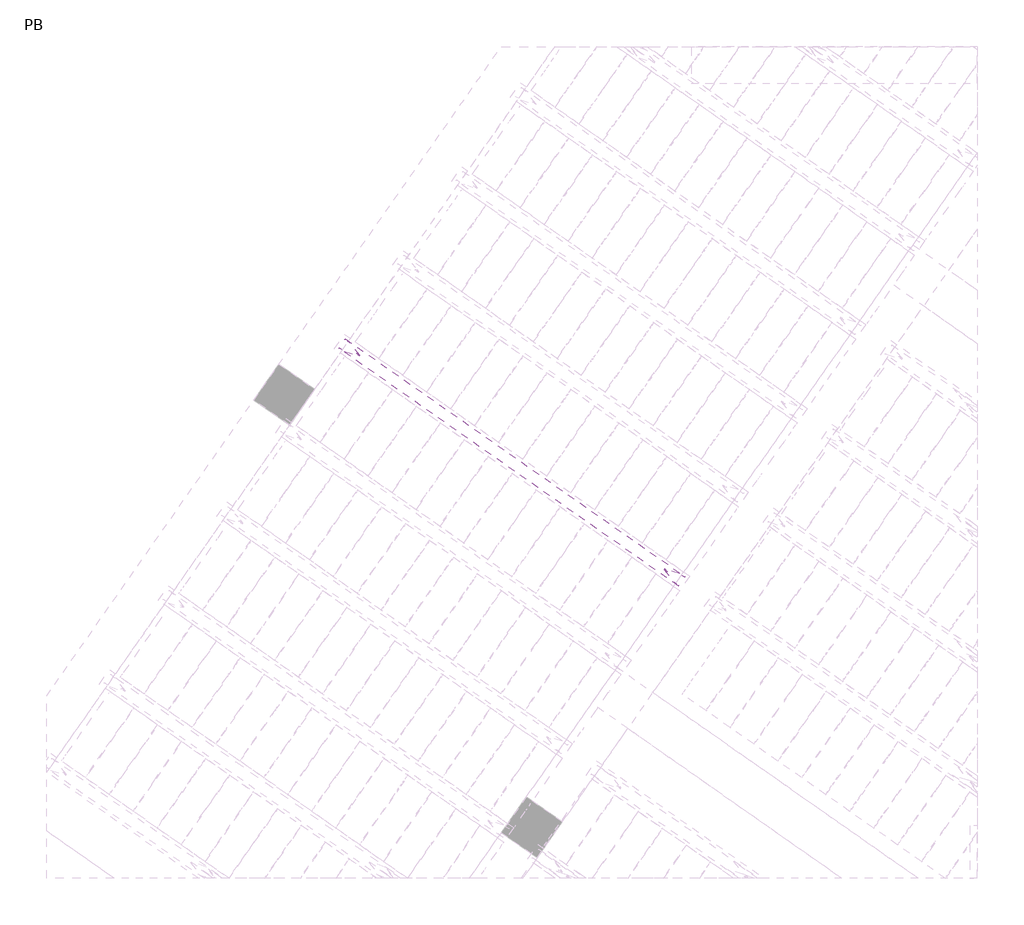
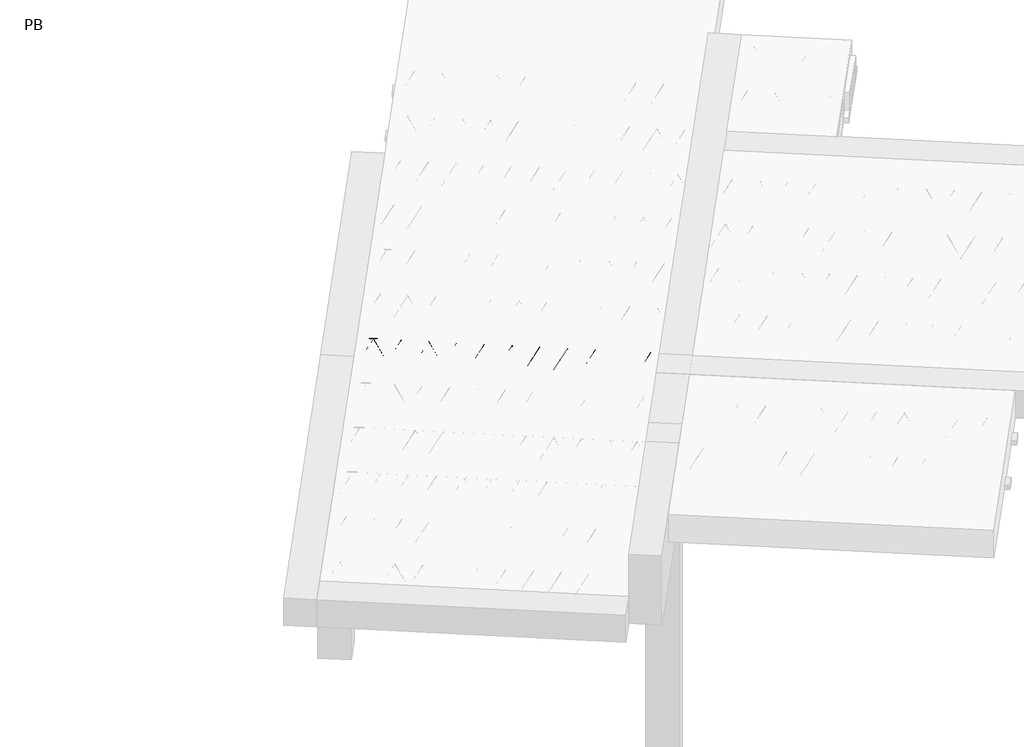
# One storey, part 27 of 56: 1 beam.
"""IFC4 building model written with IfcOpenShell, lengths in millimetres."""

from ifc_helpers import new_model, si_unit, point, frame, origin, origin_2d, place, context, project, spatial, circle_curve, trimmed, segment, composite_curve, outline, extrude, element, save

model = new_model("IFC4")

# Units and contexts
model_context = context("Model", 3, world=origin())
ifc_project = project(units=[si_unit("LENGTHUNIT", "METRE", prefix="MILLI")], contexts=[model_context])

# Site, building, storey
site = spatial("IfcSite", under=ifc_project)
building = spatial("IfcBuilding", under=site)
storey = spatial("IfcBuildingStorey", under=building, Name="PB", Elevation=95940.0)

# Beam
placement = place(None, origin())
element("IfcBeam", 1, at=placement, inside=storey, context=model_context, shape_type="SweptSolid", body=[
    extrude(outline(composite_curve([segment(trimmed(circle_curve(origin_2d(), 2.5), [point((-2.5, 0.0))], [point((2.5000001, 0.0))], False, "CARTESIAN"), True, "CONTINUOUS"), segment(trimmed(circle_curve(origin_2d(), 2.5), [point((2.5000001, 0.0))], [point((-2.5, 0.0))], False, "CARTESIAN"), True, "CONTINUOUS")], self_intersect=False)), frame((3150.0191067, 3915.6411691, 98785.0), z_axis=(-0.8191520442696126, 0.5735764363787226, 0.0), x_axis=(0.5735764363787226, 0.8191520442696126, 0.0)), (0.0, 0.0, 1.0), 2836.603033),
    extrude(outline(composite_curve([segment(trimmed(circle_curve(origin_2d(), 2.5), [point((-2.5, 0.0))], [point((2.5, 0.0))], False, "CARTESIAN"), True, "CONTINUOUS"), segment(trimmed(circle_curve(origin_2d(), 2.5), [point((2.5, 0.0))], [point((-2.5, 0.0))], False, "CARTESIAN"), True, "CONTINUOUS")], self_intersect=False)), frame((3073.7609295, 4012.9856049, 99010.0), z_axis=(-0.8191520442696126, 0.5735764363787226, 0.0), x_axis=(0.5735764363787226, 0.8191520442696126, 0.0)), (0.0, 0.0, 1.0), 2600.0),
    extrude(outline(composite_curve([segment(trimmed(circle_curve(origin_2d(), 2.5), [point((-2.5, 0.0))], [point((2.5, 0.0))], False, "CARTESIAN"), True, "CONTINUOUS"), segment(trimmed(circle_curve(origin_2d(), 2.5), [point((2.5, 0.0))], [point((-2.5, 0.0))], False, "CARTESIAN"), True, "CONTINUOUS")], self_intersect=False)), frame((3114.5485811, 3940.4778986, 98785.0), z_axis=(-0.3145304735701046, 0.38933448886848654, 0.8657304643902053), x_axis=(0.7778747638402499, 0.6284193279813057, 0.0)), (0.0, 0.0, 1.0), 259.8961331),
    extrude(outline(composite_curve([segment(trimmed(circle_curve(origin_2d(), 2.5), [point((2.5000001, 0.0))], [point((-2.5, 0.0))], False, "CARTESIAN"), True, "CONTINUOUS"), segment(trimmed(circle_curve(origin_2d(), 2.5), [point((-2.5, 0.0))], [point((2.5000001, 0.0))], False, "CARTESIAN"), True, "CONTINUOUS")], self_intersect=False)), frame((2909.7605701, 4083.8720077, 98785.0), z_axis=(0.47343050384693375, -0.16240172737369005, 0.8657304643902051), x_axis=(-0.3244721671091268, -0.9458952440791246, 0.0)), (0.0, 0.0, 1.0), 259.8961331),
    extrude(outline(composite_curve([segment(trimmed(circle_curve(origin_2d(), 2.5), [point((-2.5, -1e-07))], [point((2.5, 0.0))], False, "CARTESIAN"), True, "CONTINUOUS"), segment(trimmed(circle_curve(origin_2d(), 2.5), [point((2.5, 0.0))], [point((-2.5, -1e-07))], False, "CARTESIAN"), True, "CONTINUOUS")], self_intersect=False)), frame((2909.7605701, 4083.8720077, 98785.0), z_axis=(-0.3145304735701046, 0.38933448886848654, 0.8657304643902053), x_axis=(0.7778747638402499, 0.6284193279813057, 0.0)), (0.0, 0.0, 1.0), 259.8961331),
    extrude(outline(composite_curve([segment(trimmed(circle_curve(origin_2d(), 2.5), [point((2.5, 0.0))], [point((-2.5000001, 0.0))], False, "CARTESIAN"), True, "CONTINUOUS"), segment(trimmed(circle_curve(origin_2d(), 2.5), [point((-2.5000001, 0.0))], [point((2.5, 0.0))], False, "CARTESIAN"), True, "CONTINUOUS")], self_intersect=False)), frame((2704.972559, 4227.2661167, 98785.0), z_axis=(0.47343050384693375, -0.16240172737369005, 0.8657304643902051), x_axis=(-0.3244721671091268, -0.9458952440791246, 0.0)), (0.0, 0.0, 1.0), 259.8961331),
    extrude(outline(composite_curve([segment(trimmed(circle_curve(origin_2d(), 2.5), [point((-2.5, 0.0))], [point((2.5, 1e-07))], False, "CARTESIAN"), True, "CONTINUOUS"), segment(trimmed(circle_curve(origin_2d(), 2.5), [point((2.5, 1e-07))], [point((-2.5, 0.0))], False, "CARTESIAN"), True, "CONTINUOUS")], self_intersect=False)), frame((2704.972559, 4227.2661167, 98785.0), z_axis=(-0.3145304735701046, 0.38933448886848654, 0.8657304643902053), x_axis=(0.7778747638402499, 0.6284193279813057, 0.0)), (0.0, 0.0, 1.0), 259.8961331),
    extrude(outline(composite_curve([segment(trimmed(circle_curve(origin_2d(), 2.5), [point((2.5, 0.0))], [point((-2.5000001, 0.0))], False, "CARTESIAN"), True, "CONTINUOUS"), segment(trimmed(circle_curve(origin_2d(), 2.5), [point((-2.5000001, 0.0))], [point((2.5, 0.0))], False, "CARTESIAN"), True, "CONTINUOUS")], self_intersect=False)), frame((2500.1845479, 4370.6602258, 98785.0), z_axis=(0.47343050384693375, -0.16240172737369005, 0.8657304643902051), x_axis=(-0.3244721671091268, -0.9458952440791246, 0.0)), (0.0, 0.0, 1.0), 259.8961331),
    extrude(outline(composite_curve([segment(trimmed(circle_curve(origin_2d(), 2.5), [point((-2.5, 0.0))], [point((2.5, 1e-07))], False, "CARTESIAN"), True, "CONTINUOUS"), segment(trimmed(circle_curve(origin_2d(), 2.5), [point((2.5, 1e-07))], [point((-2.5, 0.0))], False, "CARTESIAN"), True, "CONTINUOUS")], self_intersect=False)), frame((2500.1845479, 4370.6602258, 98785.0), z_axis=(-0.3145304735701046, 0.38933448886848654, 0.8657304643902053), x_axis=(0.7778747638402499, 0.6284193279813057, 0.0)), (0.0, 0.0, 1.0), 259.8961331),
    extrude(outline(composite_curve([segment(trimmed(circle_curve(origin_2d(), 2.5), [point((2.5, 0.0))], [point((-2.5, 0.0))], False, "CARTESIAN"), True, "CONTINUOUS"), segment(trimmed(circle_curve(origin_2d(), 2.5), [point((-2.5, 0.0))], [point((2.5, 0.0))], False, "CARTESIAN"), True, "CONTINUOUS")], self_intersect=False)), frame((2295.3965369, 4514.0543349, 98785.0), z_axis=(0.47343050384693375, -0.16240172737369005, 0.8657304643902051), x_axis=(-0.3244721671091268, -0.9458952440791246, 0.0)), (0.0, 0.0, 1.0), 259.8961331),
    extrude(outline(composite_curve([segment(trimmed(circle_curve(origin_2d(), 2.5), [point((-2.5, -1e-07))], [point((2.5, 0.0))], False, "CARTESIAN"), True, "CONTINUOUS"), segment(trimmed(circle_curve(origin_2d(), 2.5), [point((2.5, 0.0))], [point((-2.5, -1e-07))], False, "CARTESIAN"), True, "CONTINUOUS")], self_intersect=False)), frame((2295.3965371, 4514.0543348, 98785.0), z_axis=(-0.3145304735701046, 0.38933448886848654, 0.8657304643902053), x_axis=(0.7778747638402499, 0.6284193279813057, 0.0)), (0.0, 0.0, 1.0), 259.8961331),
    extrude(outline(composite_curve([segment(trimmed(circle_curve(origin_2d(), 2.5), [point((2.5000001, 0.0))], [point((-2.5, 0.0))], False, "CARTESIAN"), True, "CONTINUOUS"), segment(trimmed(circle_curve(origin_2d(), 2.5), [point((-2.5, 0.0))], [point((2.5000001, 0.0))], False, "CARTESIAN"), True, "CONTINUOUS")], self_intersect=False)), frame((2090.6085261, 4657.4484439, 98785.0), z_axis=(0.47343050384693375, -0.16240172737369005, 0.8657304643902051), x_axis=(-0.3244721671091268, -0.9458952440791246, 0.0)), (0.0, 0.0, 1.0), 259.8961331),
    extrude(outline(composite_curve([segment(trimmed(circle_curve(origin_2d(), 2.5), [point((-2.5000001, 0.0))], [point((2.5, 0.0))], False, "CARTESIAN"), True, "CONTINUOUS"), segment(trimmed(circle_curve(origin_2d(), 2.5), [point((2.5, 0.0))], [point((-2.5000001, 0.0))], False, "CARTESIAN"), True, "CONTINUOUS")], self_intersect=False)), frame((2090.6085261, 4657.4484439, 98785.0), z_axis=(-0.3145304735701046, 0.38933448886848654, 0.8657304643902053), x_axis=(0.7778747638402499, 0.6284193279813057, 0.0)), (0.0, 0.0, 1.0), 259.8961331),
    extrude(outline(composite_curve([segment(trimmed(circle_curve(origin_2d(), 2.5), [point((2.5000001, 0.0))], [point((-2.5, 0.0))], False, "CARTESIAN"), True, "CONTINUOUS"), segment(trimmed(circle_curve(origin_2d(), 2.5), [point((-2.5, 0.0))], [point((2.5000001, 0.0))], False, "CARTESIAN"), True, "CONTINUOUS")], self_intersect=False)), frame((1885.820515, 4800.842553, 98785.0), z_axis=(0.47343050384693375, -0.16240172737369005, 0.8657304643902051), x_axis=(-0.3244721671091268, -0.9458952440791246, 0.0)), (0.0, 0.0, 1.0), 259.8961331),
    extrude(outline(composite_curve([segment(trimmed(circle_curve(origin_2d(), 2.5), [point((-2.5, -1e-07))], [point((2.5, 0.0))], False, "CARTESIAN"), True, "CONTINUOUS"), segment(trimmed(circle_curve(origin_2d(), 2.5), [point((2.5, 0.0))], [point((-2.5, -1e-07))], False, "CARTESIAN"), True, "CONTINUOUS")], self_intersect=False)), frame((1885.820515, 4800.842553, 98785.0), z_axis=(-0.3145304735701046, 0.38933448886848654, 0.8657304643902053), x_axis=(0.7778747638402499, 0.6284193279813057, 0.0)), (0.0, 0.0, 1.0), 259.8961331),
    extrude(outline(composite_curve([segment(trimmed(circle_curve(origin_2d(), 2.5), [point((2.5, 0.0))], [point((-2.5000001, 0.0))], False, "CARTESIAN"), True, "CONTINUOUS"), segment(trimmed(circle_curve(origin_2d(), 2.5), [point((-2.5000001, 0.0))], [point((2.5, 0.0))], False, "CARTESIAN"), True, "CONTINUOUS")], self_intersect=False)), frame((1681.0325039, 4944.236662, 98785.0), z_axis=(0.47343050384693375, -0.16240172737369005, 0.8657304643902051), x_axis=(-0.3244721671091268, -0.9458952440791246, 0.0)), (0.0, 0.0, 1.0), 259.8961331),
    extrude(outline(composite_curve([segment(trimmed(circle_curve(origin_2d(), 2.5), [point((-2.5, 0.0))], [point((2.5, 1e-07))], False, "CARTESIAN"), True, "CONTINUOUS"), segment(trimmed(circle_curve(origin_2d(), 2.5), [point((2.5, 1e-07))], [point((-2.5, 0.0))], False, "CARTESIAN"), True, "CONTINUOUS")], self_intersect=False)), frame((1681.0325039, 4944.236662, 98785.0), z_axis=(-0.3145304735701046, 0.38933448886848654, 0.8657304643902053), x_axis=(0.7778747638402499, 0.6284193279813057, 0.0)), (0.0, 0.0, 1.0), 259.8961331),
    extrude(outline(composite_curve([segment(trimmed(circle_curve(origin_2d(), 2.5), [point((2.5, -1e-07))], [point((-2.5000001, 0.0))], False, "CARTESIAN"), True, "CONTINUOUS"), segment(trimmed(circle_curve(origin_2d(), 2.5), [point((-2.5000001, 0.0))], [point((2.5, -1e-07))], False, "CARTESIAN"), True, "CONTINUOUS")], self_intersect=False)), frame((1476.2444929, 5087.6307711, 98785.0), z_axis=(0.47343050384693375, -0.16240172737369005, 0.8657304643902051), x_axis=(-0.3244721671091268, -0.9458952440791246, 0.0)), (0.0, 0.0, 1.0), 259.8961331),
    extrude(outline(composite_curve([segment(trimmed(circle_curve(origin_2d(), 2.5), [point((-2.5, 0.0))], [point((2.5000001, 0.0))], False, "CARTESIAN"), True, "CONTINUOUS"), segment(trimmed(circle_curve(origin_2d(), 2.5), [point((2.5000001, 0.0))], [point((-2.5, 0.0))], False, "CARTESIAN"), True, "CONTINUOUS")], self_intersect=False)), frame((1476.2444928, 5087.6307711, 98785.0), z_axis=(-0.3145304735701046, 0.38933448886848654, 0.8657304643902053), x_axis=(0.7778747638402499, 0.6284193279813057, 0.0)), (0.0, 0.0, 1.0), 259.8961331),
    extrude(outline(composite_curve([segment(trimmed(circle_curve(origin_2d(), 2.5), [point((2.5, 0.0))], [point((-2.5, 0.0))], False, "CARTESIAN"), True, "CONTINUOUS"), segment(trimmed(circle_curve(origin_2d(), 2.5), [point((-2.5, 0.0))], [point((2.5, 0.0))], False, "CARTESIAN"), True, "CONTINUOUS")], self_intersect=False)), frame((1271.4564818, 5231.0248802, 98785.0), z_axis=(0.47343050384693375, -0.16240172737369005, 0.8657304643902051), x_axis=(-0.3244721671091268, -0.9458952440791246, 0.0)), (0.0, 0.0, 1.0), 259.8961331),
    extrude(outline(composite_curve([segment(trimmed(circle_curve(origin_2d(), 2.5), [point((-2.5, 0.0))], [point((2.5, 1e-07))], False, "CARTESIAN"), True, "CONTINUOUS"), segment(trimmed(circle_curve(origin_2d(), 2.5), [point((2.5, 1e-07))], [point((-2.5, 0.0))], False, "CARTESIAN"), True, "CONTINUOUS")], self_intersect=False)), frame((1271.4564818, 5231.0248802, 98785.0), z_axis=(-0.3145304735701046, 0.38933448886848654, 0.8657304643902053), x_axis=(0.7778747638402499, 0.6284193279813057, 0.0)), (0.0, 0.0, 1.0), 259.8961331),
    extrude(outline(composite_curve([segment(trimmed(circle_curve(origin_2d(), 2.5), [point((2.5, 0.0))], [point((-2.5, 0.0))], False, "CARTESIAN"), True, "CONTINUOUS"), segment(trimmed(circle_curve(origin_2d(), 2.5), [point((-2.5, 0.0))], [point((2.5, 0.0))], False, "CARTESIAN"), True, "CONTINUOUS")], self_intersect=False)), frame((1066.6684707, 5374.4189893, 98785.0), z_axis=(0.47343050384693375, -0.16240172737369005, 0.8657304643902051), x_axis=(-0.3244721671091268, -0.9458952440791246, 0.0)), (0.0, 0.0, 1.0), 259.8961331),
    extrude(outline(composite_curve([segment(trimmed(circle_curve(origin_2d(), 2.5), [point((-2.5, 0.0))], [point((2.5, 1e-07))], False, "CARTESIAN"), True, "CONTINUOUS"), segment(trimmed(circle_curve(origin_2d(), 2.5), [point((2.5, 1e-07))], [point((-2.5, 0.0))], False, "CARTESIAN"), True, "CONTINUOUS")], self_intersect=False)), frame((1066.6684707, 5374.4189893, 98785.0), z_axis=(-0.3145304735701046, 0.38933448886848654, 0.8657304643902053), x_axis=(0.7778747638402499, 0.6284193279813057, 0.0)), (0.0, 0.0, 1.0), 259.8961331),
    extrude(outline(composite_curve([segment(trimmed(circle_curve(origin_2d(), 2.5), [point((2.5, 0.0))], [point((-2.5, 1e-07))], False, "CARTESIAN"), True, "CONTINUOUS"), segment(trimmed(circle_curve(origin_2d(), 2.5), [point((-2.5, 1e-07))], [point((2.5, 0.0))], False, "CARTESIAN"), True, "CONTINUOUS")], self_intersect=False)), frame((861.8804596, 5517.8130984, 98785.0), z_axis=(0.47343050384693375, -0.16240172737369005, 0.8657304643902051), x_axis=(-0.3244721671091268, -0.9458952440791246, 0.0)), (0.0, 0.0, 1.0), 259.8961331),
    extrude(outline(composite_curve([segment(trimmed(circle_curve(origin_2d(), 2.5), [point((-2.5, 0.0))], [point((2.4999999, 0.0))], False, "CARTESIAN"), True, "CONTINUOUS"), segment(trimmed(circle_curve(origin_2d(), 2.5), [point((2.4999999, 0.0))], [point((-2.5, 0.0))], False, "CARTESIAN"), True, "CONTINUOUS")], self_intersect=False)), frame((3191.3166102, 3974.6201163, 98785.0), z_axis=(-0.8191520442696126, 0.5735764363787226, 0.0), x_axis=(0.5735764363787226, 0.8191520442696126, 0.0)), (0.0, 0.0, 1.0), 2836.603033),
    extrude(outline(composite_curve([segment(trimmed(circle_curve(origin_2d(), 2.5), [point((-2.5, 0.0))], [point((2.5, -1e-07))], False, "CARTESIAN"), True, "CONTINUOUS"), segment(trimmed(circle_curve(origin_2d(), 2.5), [point((2.5, -1e-07))], [point((-2.5, 0.0))], False, "CARTESIAN"), True, "CONTINUOUS")], self_intersect=False)), frame((3155.8460845, 3999.4568458, 98785.0), z_axis=(-0.47343050384693375, 0.16240172737369005, 0.8657304643902051), x_axis=(0.3244721671091268, 0.9458952440791246, 0.0)), (0.0, 0.0, 1.0), 259.8961331),
    extrude(outline(composite_curve([segment(trimmed(circle_curve(origin_2d(), 2.5), [point((2.5, 0.0))], [point((-2.5, -1e-07))], False, "CARTESIAN"), True, "CONTINUOUS"), segment(trimmed(circle_curve(origin_2d(), 2.5), [point((-2.5, -1e-07))], [point((2.5, 0.0))], False, "CARTESIAN"), True, "CONTINUOUS")], self_intersect=False)), frame((2951.0580735, 4142.8509548, 98785.0), z_axis=(0.3145304735701046, -0.38933448886848654, 0.8657304643902053), x_axis=(-0.7778747638402499, -0.6284193279813057, 0.0)), (0.0, 0.0, 1.0), 259.8961331),
    extrude(outline(composite_curve([segment(trimmed(circle_curve(origin_2d(), 2.5), [point((-2.5, 0.0))], [point((2.5000001, 0.0))], False, "CARTESIAN"), True, "CONTINUOUS"), segment(trimmed(circle_curve(origin_2d(), 2.5), [point((2.5000001, 0.0))], [point((-2.5, 0.0))], False, "CARTESIAN"), True, "CONTINUOUS")], self_intersect=False)), frame((2951.0580735, 4142.8509548, 98785.0), z_axis=(-0.47343050384693375, 0.16240172737369005, 0.8657304643902051), x_axis=(0.3244721671091268, 0.9458952440791246, 0.0)), (0.0, 0.0, 1.0), 259.8961331),
    extrude(outline(composite_curve([segment(trimmed(circle_curve(origin_2d(), 2.5), [point((2.5, 0.0))], [point((-2.5, -1e-07))], False, "CARTESIAN"), True, "CONTINUOUS"), segment(trimmed(circle_curve(origin_2d(), 2.5), [point((-2.5, -1e-07))], [point((2.5, 0.0))], False, "CARTESIAN"), True, "CONTINUOUS")], self_intersect=False)), frame((2746.2700624, 4286.2450639, 98785.0), z_axis=(0.3145304735701046, -0.38933448886848654, 0.8657304643902053), x_axis=(-0.7778747638402499, -0.6284193279813057, 0.0)), (0.0, 0.0, 1.0), 259.8961331),
    extrude(outline(composite_curve([segment(trimmed(circle_curve(origin_2d(), 2.5), [point((-2.5, 0.0))], [point((2.5, 0.0))], False, "CARTESIAN"), True, "CONTINUOUS"), segment(trimmed(circle_curve(origin_2d(), 2.5), [point((2.5, 0.0))], [point((-2.5, 0.0))], False, "CARTESIAN"), True, "CONTINUOUS")], self_intersect=False)), frame((2746.2700624, 4286.2450639, 98785.0), z_axis=(-0.47343050384693375, 0.16240172737369005, 0.8657304643902051), x_axis=(0.3244721671091268, 0.9458952440791246, 0.0)), (0.0, 0.0, 1.0), 259.8961331),
    extrude(outline(composite_curve([segment(trimmed(circle_curve(origin_2d(), 2.5), [point((2.5, 0.0))], [point((-2.5, 0.0))], False, "CARTESIAN"), True, "CONTINUOUS"), segment(trimmed(circle_curve(origin_2d(), 2.5), [point((-2.5, 0.0))], [point((2.5, 0.0))], False, "CARTESIAN"), True, "CONTINUOUS")], self_intersect=False)), frame((2541.4820514, 4429.639173, 98785.0), z_axis=(0.3145304735701046, -0.38933448886848654, 0.8657304643902053), x_axis=(-0.7778747638402499, -0.6284193279813057, 0.0)), (0.0, 0.0, 1.0), 259.8961331),
    extrude(outline(composite_curve([segment(trimmed(circle_curve(origin_2d(), 2.5), [point((-2.5, 1e-07))], [point((2.5, 0.0))], False, "CARTESIAN"), True, "CONTINUOUS"), segment(trimmed(circle_curve(origin_2d(), 2.5), [point((2.5, 0.0))], [point((-2.5, 1e-07))], False, "CARTESIAN"), True, "CONTINUOUS")], self_intersect=False)), frame((2541.4820514, 4429.639173, 98785.0), z_axis=(-0.47343050384693375, 0.16240172737369005, 0.8657304643902051), x_axis=(0.3244721671091268, 0.9458952440791246, 0.0)), (0.0, 0.0, 1.0), 259.8961331),
    extrude(outline(composite_curve([segment(trimmed(circle_curve(origin_2d(), 2.5), [point((2.5, 0.0))], [point((-2.5, 0.0))], False, "CARTESIAN"), True, "CONTINUOUS"), segment(trimmed(circle_curve(origin_2d(), 2.5), [point((-2.5, 0.0))], [point((2.5, 0.0))], False, "CARTESIAN"), True, "CONTINUOUS")], self_intersect=False)), frame((2336.6940403, 4573.0332821, 98785.0), z_axis=(0.3145304735701046, -0.38933448886848654, 0.8657304643902053), x_axis=(-0.7778747638402499, -0.6284193279813057, 0.0)), (0.0, 0.0, 1.0), 259.8961331),
    extrude(outline(composite_curve([segment(trimmed(circle_curve(origin_2d(), 2.5), [point((-2.5000001, 0.0))], [point((2.5, -1e-07))], False, "CARTESIAN"), True, "CONTINUOUS"), segment(trimmed(circle_curve(origin_2d(), 2.5), [point((2.5, -1e-07))], [point((-2.5000001, 0.0))], False, "CARTESIAN"), True, "CONTINUOUS")], self_intersect=False)), frame((2336.6940405, 4573.033282, 98785.0), z_axis=(-0.47343050384693375, 0.16240172737369005, 0.8657304643902051), x_axis=(0.3244721671091268, 0.9458952440791246, 0.0)), (0.0, 0.0, 1.0), 259.8961331),
    extrude(outline(composite_curve([segment(trimmed(circle_curve(origin_2d(), 2.5), [point((2.5, 0.0))], [point((-2.5, -1e-07))], False, "CARTESIAN"), True, "CONTINUOUS"), segment(trimmed(circle_curve(origin_2d(), 2.5), [point((-2.5, -1e-07))], [point((2.5, 0.0))], False, "CARTESIAN"), True, "CONTINUOUS")], self_intersect=False)), frame((2131.9060295, 4716.427391, 98785.0), z_axis=(0.3145304735701046, -0.38933448886848654, 0.8657304643902053), x_axis=(-0.7778747638402499, -0.6284193279813057, 0.0)), (0.0, 0.0, 1.0), 259.8961331),
    extrude(outline(composite_curve([segment(trimmed(circle_curve(origin_2d(), 2.5), [point((-2.5, 0.0))], [point((2.5000001, 0.0))], False, "CARTESIAN"), True, "CONTINUOUS"), segment(trimmed(circle_curve(origin_2d(), 2.5), [point((2.5000001, 0.0))], [point((-2.5, 0.0))], False, "CARTESIAN"), True, "CONTINUOUS")], self_intersect=False)), frame((2131.9060295, 4716.427391, 98785.0), z_axis=(-0.47343050384693375, 0.16240172737369005, 0.8657304643902051), x_axis=(0.3244721671091268, 0.9458952440791246, 0.0)), (0.0, 0.0, 1.0), 259.8961331),
    extrude(outline(composite_curve([segment(trimmed(circle_curve(origin_2d(), 2.5), [point((2.5, 0.0))], [point((-2.5, -1e-07))], False, "CARTESIAN"), True, "CONTINUOUS"), segment(trimmed(circle_curve(origin_2d(), 2.5), [point((-2.5, -1e-07))], [point((2.5, 0.0))], False, "CARTESIAN"), True, "CONTINUOUS")], self_intersect=False)), frame((1927.1180184, 4859.8215001, 98785.0), z_axis=(0.3145304735701046, -0.38933448886848654, 0.8657304643902053), x_axis=(-0.7778747638402499, -0.6284193279813057, 0.0)), (0.0, 0.0, 1.0), 259.8961331),
    extrude(outline(composite_curve([segment(trimmed(circle_curve(origin_2d(), 2.5), [point((-2.5, 0.0))], [point((2.5000001, 0.0))], False, "CARTESIAN"), True, "CONTINUOUS"), segment(trimmed(circle_curve(origin_2d(), 2.5), [point((2.5000001, 0.0))], [point((-2.5, 0.0))], False, "CARTESIAN"), True, "CONTINUOUS")], self_intersect=False)), frame((1927.1180184, 4859.8215001, 98785.0), z_axis=(-0.47343050384693375, 0.16240172737369005, 0.8657304643902051), x_axis=(0.3244721671091268, 0.9458952440791246, 0.0)), (0.0, 0.0, 1.0), 259.8961331),
    extrude(outline(composite_curve([segment(trimmed(circle_curve(origin_2d(), 2.5), [point((2.5, 0.0))], [point((-2.5, -1e-07))], False, "CARTESIAN"), True, "CONTINUOUS"), segment(trimmed(circle_curve(origin_2d(), 2.5), [point((-2.5, -1e-07))], [point((2.5, 0.0))], False, "CARTESIAN"), True, "CONTINUOUS")], self_intersect=False)), frame((1722.3300073, 5003.2156092, 98785.0), z_axis=(0.3145304735701046, -0.38933448886848654, 0.8657304643902053), x_axis=(-0.7778747638402499, -0.6284193279813057, 0.0)), (0.0, 0.0, 1.0), 259.8961331),
    extrude(outline(composite_curve([segment(trimmed(circle_curve(origin_2d(), 2.5), [point((-2.5, 0.0))], [point((2.5, -1e-07))], False, "CARTESIAN"), True, "CONTINUOUS"), segment(trimmed(circle_curve(origin_2d(), 2.5), [point((2.5, -1e-07))], [point((-2.5, 0.0))], False, "CARTESIAN"), True, "CONTINUOUS")], self_intersect=False)), frame((1722.3300073, 5003.2156092, 98785.0), z_axis=(-0.47343050384693375, 0.16240172737369005, 0.8657304643902051), x_axis=(0.3244721671091268, 0.9458952440791246, 0.0)), (0.0, 0.0, 1.0), 259.8961331),
    extrude(outline(composite_curve([segment(trimmed(circle_curve(origin_2d(), 2.5), [point((2.5, 0.0))], [point((-2.5, 0.0))], False, "CARTESIAN"), True, "CONTINUOUS"), segment(trimmed(circle_curve(origin_2d(), 2.5), [point((-2.5, 0.0))], [point((2.5, 0.0))], False, "CARTESIAN"), True, "CONTINUOUS")], self_intersect=False)), frame((1517.5419963, 5146.6097183, 98785.0), z_axis=(0.3145304735701046, -0.38933448886848654, 0.8657304643902053), x_axis=(-0.7778747638402499, -0.6284193279813057, 0.0)), (0.0, 0.0, 1.0), 259.8961331),
    extrude(outline(composite_curve([segment(trimmed(circle_curve(origin_2d(), 2.5), [point((-2.5, 0.0))], [point((2.5, 0.0))], False, "CARTESIAN"), True, "CONTINUOUS"), segment(trimmed(circle_curve(origin_2d(), 2.5), [point((2.5, 0.0))], [point((-2.5, 0.0))], False, "CARTESIAN"), True, "CONTINUOUS")], self_intersect=False)), frame((1517.5419963, 5146.6097183, 98785.0), z_axis=(-0.47343050384693375, 0.16240172737369005, 0.8657304643902051), x_axis=(0.3244721671091268, 0.9458952440791246, 0.0)), (0.0, 0.0, 1.0), 259.8961331),
    extrude(outline(composite_curve([segment(trimmed(circle_curve(origin_2d(), 2.5), [point((2.5, 0.0))], [point((-2.5, 0.0))], False, "CARTESIAN"), True, "CONTINUOUS"), segment(trimmed(circle_curve(origin_2d(), 2.5), [point((-2.5, 0.0))], [point((2.5, 0.0))], False, "CARTESIAN"), True, "CONTINUOUS")], self_intersect=False)), frame((1312.7539852, 5290.0038274, 98785.0), z_axis=(0.3145304735701046, -0.38933448886848654, 0.8657304643902053), x_axis=(-0.7778747638402499, -0.6284193279813057, 0.0)), (0.0, 0.0, 1.0), 259.8961331),
    extrude(outline(composite_curve([segment(trimmed(circle_curve(origin_2d(), 2.5), [point((-2.5, 0.0))], [point((2.5, 0.0))], False, "CARTESIAN"), True, "CONTINUOUS"), segment(trimmed(circle_curve(origin_2d(), 2.5), [point((2.5, 0.0))], [point((-2.5, 0.0))], False, "CARTESIAN"), True, "CONTINUOUS")], self_intersect=False)), frame((1312.7539852, 5290.0038274, 98785.0), z_axis=(-0.47343050384693375, 0.16240172737369005, 0.8657304643902051), x_axis=(0.3244721671091268, 0.9458952440791246, 0.0)), (0.0, 0.0, 1.0), 259.8961331),
    extrude(outline(composite_curve([segment(trimmed(circle_curve(origin_2d(), 2.5), [point((2.5, 0.0))], [point((-2.5, 0.0))], False, "CARTESIAN"), True, "CONTINUOUS"), segment(trimmed(circle_curve(origin_2d(), 2.5), [point((-2.5, 0.0))], [point((2.5, 0.0))], False, "CARTESIAN"), True, "CONTINUOUS")], self_intersect=False)), frame((1107.9659741, 5433.3979365, 98785.0), z_axis=(0.3145304735701046, -0.38933448886848654, 0.8657304643902053), x_axis=(-0.7778747638402499, -0.6284193279813057, 0.0)), (0.0, 0.0, 1.0), 259.8961331),
    extrude(outline(composite_curve([segment(trimmed(circle_curve(origin_2d(), 2.5), [point((-2.5, 0.0))], [point((2.5, -1e-07))], False, "CARTESIAN"), True, "CONTINUOUS"), segment(trimmed(circle_curve(origin_2d(), 2.5), [point((2.5, -1e-07))], [point((-2.5, 0.0))], False, "CARTESIAN"), True, "CONTINUOUS")], self_intersect=False)), frame((1107.9659741, 5433.3979365, 98785.0), z_axis=(-0.47343050384693375, 0.16240172737369005, 0.8657304643902051), x_axis=(0.3244721671091268, 0.9458952440791246, 0.0)), (0.0, 0.0, 1.0), 259.8961331),
    extrude(outline(composite_curve([segment(trimmed(circle_curve(origin_2d(), 2.5), [point((2.5, 0.0))], [point((-2.5, 0.0))], False, "CARTESIAN"), True, "CONTINUOUS"), segment(trimmed(circle_curve(origin_2d(), 2.5), [point((-2.5, 0.0))], [point((2.5, 0.0))], False, "CARTESIAN"), True, "CONTINUOUS")], self_intersect=False)), frame((903.1779631, 5576.7920456, 98785.0), z_axis=(0.3145304735701046, -0.38933448886848654, 0.8657304643902053), x_axis=(-0.7778747638402499, -0.6284193279813057, 0.0)), (0.0, 0.0, 1.0), 259.8961331),
])

save(model, "model.ifc")
